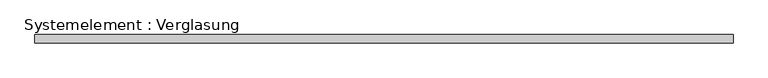
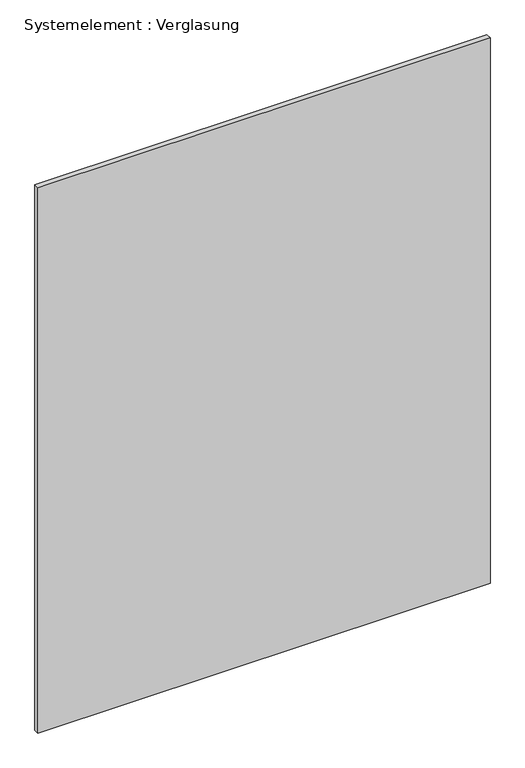
"""IFC4 building model written with IfcOpenShell, lengths in millimetres: plate geometry, Systemelement : Verglasung."""

from ifc_helpers import new_model, si_unit, origin, origin_with_axes, place, context, project, spatial, polyline, outline, extrude, source, transform, mapped, element, save


def systemelement_verglasung_e940481f(model_context):
    return source(origin(), model_context, "Body", "SweptSolid", [
        extrude(outline(polyline([(1289.5224905, -15.0), (-1289.5224905, -15.0), (-1289.5224905, 15.0), (1289.5224905, 15.0), (1289.5224905, -15.0)])), origin_with_axes(), (0.0, 0.0, 1.0), 3290.0),
    ])


if __name__ == "__main__":
    model = new_model("IFC4")
    model_context = context("Model", 3, world=origin())
    ifc_project = project(units=[si_unit("LENGTHUNIT", "METRE", prefix="MILLI")], contexts=[model_context])
    site = spatial("IfcSite", under=ifc_project)
    building = spatial("IfcBuilding", under=site)
    placement = place(None, origin())
    systemelement_verglasung_shape = systemelement_verglasung_e940481f(model_context)
    element("IfcPlate", 1, ObjectType="Systemelement : Verglasung", at=placement, inside=building, context=model_context, shape_type="MappedRepresentation", body=[
        mapped(systemelement_verglasung_shape, transform((0.0, 0.0, 0.0), x_axis=(1.0, 0.0, 0.0), y_axis=(0.0, 1.0, 0.0), z_axis=(0.0, 0.0, 1.0))),
    ])
    save(model, "model.ifc")
